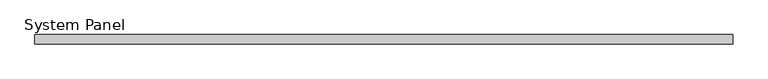
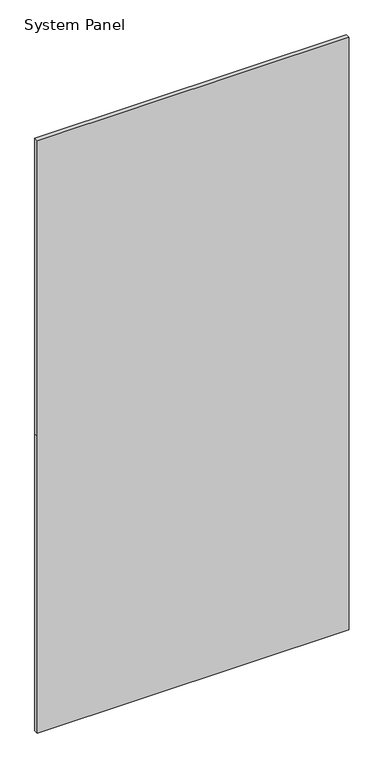
"""IFC4 building model written with IfcOpenShell, lengths in millimetres: plate geometry, System Panel."""

from ifc_helpers import new_model, si_unit, frame, origin, place, context, project, spatial, polyline, outline, extrude, source, transform, mapped, element, save


def system_panel_13fbcbc2(model_context):
    return source(origin(), model_context, "Body", "SweptSolid", [
        extrude(outline(polyline([(0.0, -595.0), (0.0, 595.0), (1197.5, 595.0), (2390.0, 595.0), (2390.0, -595.0), (1197.5, -595.0), (0.0, -595.0)])), frame((0.0, -8.0, 0.0), z_axis=(0.0, 1.0, 0.0), x_axis=(0.0, 0.0, 1.0)), (0.0, 0.0, 1.0), 16.0),
    ])


if __name__ == "__main__":
    model = new_model("IFC4")
    model_context = context("Model", 3, world=origin())
    ifc_project = project(units=[si_unit("LENGTHUNIT", "METRE", prefix="MILLI")], contexts=[model_context])
    site = spatial("IfcSite", under=ifc_project)
    building = spatial("IfcBuilding", under=site)
    placement = place(None, origin())
    system_panel_shape = system_panel_13fbcbc2(model_context)
    element("IfcPlate", 1, ObjectType="System Panel", at=placement, inside=building, context=model_context, shape_type="MappedRepresentation", body=[
        mapped(system_panel_shape, transform((0.0, 0.0, 0.0), x_axis=(1.0, 0.0, 0.0), y_axis=(0.0, 1.0, 0.0), z_axis=(0.0, 0.0, 1.0))),
    ])
    save(model, "model.ifc")
